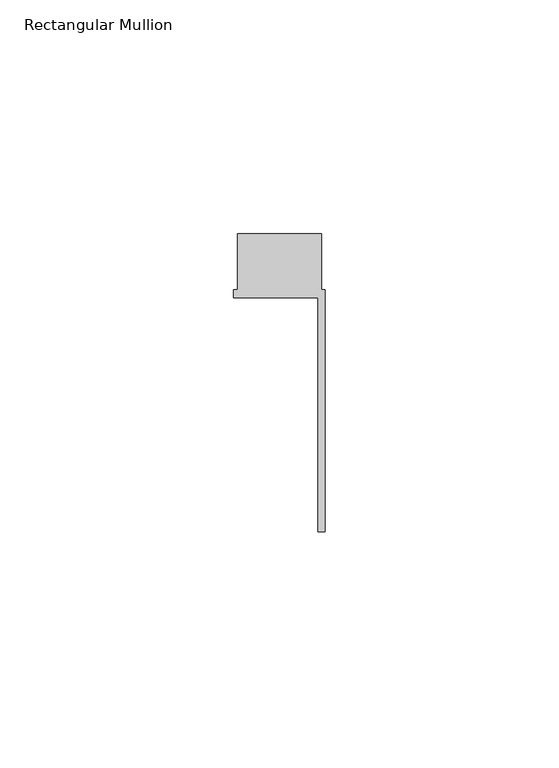
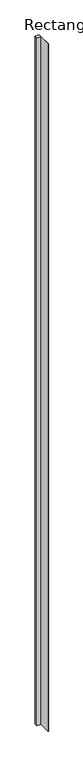
"""IFC4 building model written with IfcOpenShell, lengths in millimetres: member geometry, Rectangular Mullion."""

from ifc_helpers import new_model, si_unit, frame, origin, place, context, project, spatial, polyline, outline, extrude, source, transform, mapped, element, save


def rectangular_mullion_19436df5(model_context):
    return source(origin(), model_context, "Body", "SweptSolid", [
        extrude(outline(polyline([(-25.133, -66.0), (-25.133, -16.0), (-43.133, -16.0), (-43.133, -14.2999985), (-42.333, -14.2999985), (-42.333, -2.2999985), (-24.333, -2.2999985), (-24.333, -14.2999985), (-23.533, -14.2999985), (-23.533, -66.0), (-25.133, -66.0)])), frame((0.0, 0.0, -3000.0), z_axis=(0.0, 0.0, 1.0), x_axis=(1.0, 0.0, 0.0)), (0.0, 0.0, 1.0), 3000.0),
    ])


if __name__ == "__main__":
    model = new_model("IFC4")
    model_context = context("Model", 3, world=origin())
    ifc_project = project(units=[si_unit("LENGTHUNIT", "METRE", prefix="MILLI")], contexts=[model_context])
    site = spatial("IfcSite", under=ifc_project)
    building = spatial("IfcBuilding", under=site)
    placement = place(None, origin())
    rectangular_mullion_shape = rectangular_mullion_19436df5(model_context)
    element("IfcMember", 1, ObjectType="Rectangular Mullion", at=placement, inside=building, context=model_context, shape_type="MappedRepresentation", body=[
        mapped(rectangular_mullion_shape, transform((0.0, 0.0, 0.0), x_axis=(1.0, 0.0, 0.0), y_axis=(0.0, 1.0, 0.0), z_axis=(0.0, 0.0, 1.0))),
    ])
    save(model, "model.ifc")
